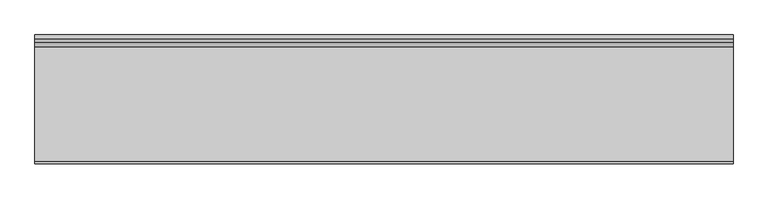
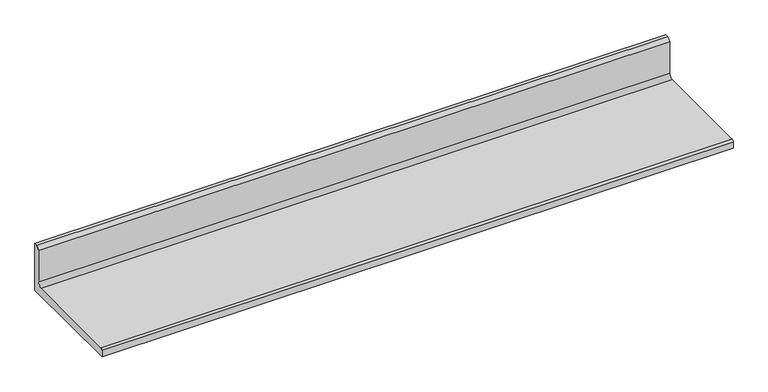
"""IFC4 building model written with IfcOpenShell, lengths in millimetres: furniture geometry."""

from ifc_helpers import new_model, si_unit, point, frame, frame_2d, origin, place, context, project, spatial, polyline, circle_curve, trimmed, segment, composite_curve, outline, extrude, source, transform, mapped, element, save


def furniture_8d7d57f4(model_context):
    return source(origin(), model_context, "Body", "SweptSolid", [
        extrude(outline(composite_curve([segment(polyline([(168.529, 1128.522), (168.529, 984.89008), (-168.529, 984.89008), (-168.529, 1004.70208)]), True, "CONTINUOUS"), segment(trimmed(circle_curve(frame_2d((-162.941, 1004.70208)), 5.588), [point((-168.529, 1004.70208))], [point((-162.941, 1010.29008))], False, "CARTESIAN"), True, "CONTINUOUS"), segment(polyline([(-162.941, 1010.29008), (136.271, 1010.29008)]), True, "CONTINUOUS"), segment(trimmed(circle_curve(frame_2d((136.271, 1022.99008)), 12.7), [point((136.271, 1010.29008))], [point((148.971, 1022.99008))], True, "CARTESIAN"), True, "CONTINUOUS"), segment(polyline([(148.971, 1022.99008), (148.971, 1118.997), (158.496, 1128.522), (168.529, 1128.522)]), True, "CONTINUOUS")], self_intersect=False)), frame((-914.4, 0.0, 0.0), z_axis=(1.0, 0.0, 0.0), x_axis=(0.0, 1.0, 0.0)), (0.0, 0.0, 1.0), 1828.8),
    ])


if __name__ == "__main__":
    model = new_model("IFC4")
    model_context = context("Model", 3, world=origin())
    ifc_project = project(units=[si_unit("LENGTHUNIT", "METRE", prefix="MILLI")], contexts=[model_context])
    site = spatial("IfcSite", under=ifc_project)
    building = spatial("IfcBuilding", under=site)
    placement = place(None, origin())
    furniture_shape = furniture_8d7d57f4(model_context)
    element("IfcFurniture", 1, at=placement, inside=building, context=model_context, shape_type="MappedRepresentation", body=[
        mapped(furniture_shape, transform((0.0, 0.0, 0.0), x_axis=(1.0, 0.0, 0.0), y_axis=(0.0, 1.0, 0.0), z_axis=(0.0, 0.0, 1.0))),
    ])
    save(model, "model.ifc")
